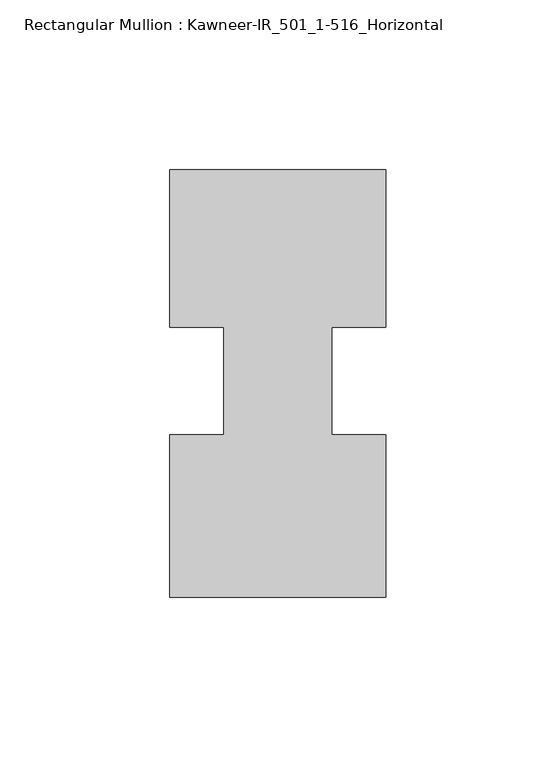
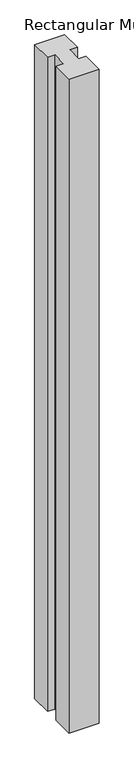
"""IFC4 building model written with IfcOpenShell, lengths in millimetres: member geometry, Rectangular Mullion : Kawneer-IR_501_1-516_Horizontal."""

import ifcopenshell
import ifcopenshell.guid

model = None  # the IFC model being written
_history = None  # IfcOwnerHistory: only IFC2X3 demands one
_inside = {}  # id of a spatial element -> (the spatial element, [elements in it])
_under = {}  # id of a project, library or spatial element -> (it, [spatial elements below it])
_declared = {}  # id of a project -> (the project, [libraries it declares])
_typed = {}  # id of a type object -> (the type object, [elements of that type])
_made_of = {}  # id of a material, layer set ... -> (it, [elements and type objects made of it])


def new_model(schema):
    """Start an empty IFC model of exactly this schema.

    Asked for "IFC4X3", IfcOpenShell would pick the latest addendum, in which some entities
    have other attributes; the version numbers below select the first issue.
    IFC2X3 requires an IfcOwnerHistory on every rooted entity: one is made here for all.
    """
    global model, _history
    if schema == "IFC4X3":
        model = ifcopenshell.file(schema_version=(4, 3, 0, 0))
    else:
        model = ifcopenshell.file(schema=schema)
    _inside.clear()
    _under.clear()
    _declared.clear()
    _typed.clear()
    _made_of.clear()
    _history = None
    if model.schema == "IFC2X3":
        org = make("IfcOrganization", Name="unknown")
        user = make(
            "IfcPersonAndOrganization",
            ThePerson=make("IfcPerson", FamilyName="unknown"),
            TheOrganization=org,
        )
        app = make(
            "IfcApplication",
            ApplicationDeveloper=org,
            Version="unknown",
            ApplicationFullName="unknown",
            ApplicationIdentifier="unknown",
        )
        _history = make(
            "IfcOwnerHistory",
            OwningUser=user,
            OwningApplication=app,
            ChangeAction="ADDED",
            CreationDate=0,
        )
    return model


def make(cls, **values):
    """One entity of the class cls with the attributes given. An attribute that is None is left unset."""
    return model.create_entity(
        cls, **{name: value for name, value in values.items() if value is not None}
    )


def rooted(cls, **values):
    """An entity with a GlobalId (a new one), such as an element, a storey or a relation."""
    return make(cls, GlobalId=ifcopenshell.guid.new(), OwnerHistory=_history, **values)


def si_unit(unit_type, name, prefix=None):
    """IfcSIUnit, for example si_unit("LENGTHUNIT", "METRE", prefix="MILLI")."""
    return make("IfcSIUnit", UnitType=unit_type, Prefix=prefix, Name=name)


def assignment(units):
    """IfcUnitAssignment: the units of a project."""
    return None if units is None else make("IfcUnitAssignment", Units=units)


def point(xyz):
    """IfcCartesianPoint."""
    return None if xyz is None else make("IfcCartesianPoint", Coordinates=xyz)


def direction(xyz):
    """IfcDirection."""
    return None if xyz is None else make("IfcDirection", DirectionRatios=xyz)


def frame(location, z_axis=None, x_axis=None):
    """IfcAxis2Placement3D, a coordinate frame: its origin and axes. An axis left out is left unset."""
    return make(
        "IfcAxis2Placement3D",
        Location=point(location),
        Axis=direction(z_axis),
        RefDirection=direction(x_axis),
    )


def origin():
    """The frame at (0, 0, 0) with its axes left unset."""
    return frame((0.0, 0.0, 0.0))


def place(relative_to, where):
    """IfcLocalPlacement: puts the frame where relative to a parent placement (None: the world)."""
    return make(
        "IfcLocalPlacement", PlacementRelTo=relative_to, RelativePlacement=where
    )


def context(
    kind, dimensions, precision=None, world=None, true_north=None, identifier=None
):
    """IfcGeometricRepresentationContext, for example the 3D "Model" context."""
    return make(
        "IfcGeometricRepresentationContext",
        ContextIdentifier=identifier,
        ContextType=kind,
        CoordinateSpaceDimension=dimensions,
        Precision=precision,
        WorldCoordinateSystem=world,
        TrueNorth=true_north,
    )


def project(units=None, contexts=None):
    """IfcProject with its units and contexts."""
    return rooted(
        "IfcProject",
        Name="project",
        RepresentationContexts=contexts,
        UnitsInContext=assignment(units),
    )


def spatial(cls, under=None, at=None, **own):
    """A site, building, storey or space (cls), placed at a placement, below another one or the project."""
    s = rooted(cls, ObjectPlacement=at, **own)
    if under is not None:
        _under.setdefault(under.id(), (under, []))[1].append(s)
    return s


def polyline(points):
    """IfcPolyline through the points."""
    return make("IfcPolyline", Points=[point(p) for p in points])


def outline(outer, holes=None, kind="AREA"):
    """IfcArbitraryClosedProfileDef: a profile drawn as a closed curve; with holes, ...WithVoids."""
    if holes is None:
        return make("IfcArbitraryClosedProfileDef", ProfileType=kind, OuterCurve=outer)
    return make(
        "IfcArbitraryProfileDefWithVoids",
        ProfileType=kind,
        OuterCurve=outer,
        InnerCurves=holes,
    )


def extrude(swept, where, along, depth):
    """IfcExtrudedAreaSolid: the profile swept, set in the frame where, extruded along a direction by depth."""
    return make(
        "IfcExtrudedAreaSolid",
        SweptArea=swept,
        Position=where,
        ExtrudedDirection=direction(along),
        Depth=depth,
    )


def shape(context_of_items, identifier, shape_type, items):
    """IfcShapeRepresentation: the items that make up one representation, for example the "Body"."""
    return make(
        "IfcShapeRepresentation",
        ContextOfItems=context_of_items,
        RepresentationIdentifier=identifier,
        RepresentationType=shape_type,
        Items=items,
    )


def source(mapping_origin, context_of_items, identifier, shape_type, items):
    """IfcRepresentationMap: a shape defined once, which mapped items show again and again."""
    return make(
        "IfcRepresentationMap",
        MappingOrigin=mapping_origin,
        MappedRepresentation=shape(context_of_items, identifier, shape_type, items),
    )


def transform(
    local_origin,
    x_axis=None,
    y_axis=None,
    z_axis=None,
    scale=None,
    scale2=None,
    scale3=None,
    uniform=True,
):
    """IfcCartesianTransformationOperator3D, or its non-uniform kind. x_axis, y_axis, z_axis: its Axis1, 2, 3."""
    if uniform:
        return make(
            "IfcCartesianTransformationOperator3D",
            Axis1=direction(x_axis),
            Axis2=direction(y_axis),
            LocalOrigin=point(local_origin),
            Scale=scale,
            Axis3=direction(z_axis),
        )
    return make(
        "IfcCartesianTransformationOperator3DnonUniform",
        Axis1=direction(x_axis),
        Axis2=direction(y_axis),
        LocalOrigin=point(local_origin),
        Scale=scale,
        Axis3=direction(z_axis),
        Scale2=scale2,
        Scale3=scale3,
    )


def mapped(mapping_source, mapping_target):
    """IfcMappedItem: shows the shape of a source again, moved by a transform."""
    return make(
        "IfcMappedItem", MappingSource=mapping_source, MappingTarget=mapping_target
    )


def made_of(thing, what):
    """Note that an element or type object is made of a material, layer set ...; save() writes the relation."""
    if what is not None:
        _made_of.setdefault(what.id(), (what, []))[1].append(thing)
    return thing


def element(
    cls,
    number,
    at=None,
    inside=None,
    cuts=None,
    type_object=None,
    material=None,
    context=None,
    identifier="Body",
    shape_type=None,
    held_by="IfcProductDefinitionShape",
    body=None,
    shapes=None,
    **own,
):
    """One element of the class cls, such as IfcWall. Its Tag is "e" and its number.

    at: its placement. inside: the storey or other place that contains it. cuts: it is an
    opening in that element (IfcRelVoidsElement). A single representation is given by context,
    identifier, shape_type and body (its items); several are given by shapes. held_by: the class
    of the entity that holds the representations. save() writes the other relations.
    """
    e = rooted(cls, Tag="e%d" % number, ObjectPlacement=at, **own)
    if body is not None:
        shapes = [shape(context, identifier, shape_type, body)]
    if shapes is not None:
        e.Representation = make(held_by, Representations=shapes)
    if inside is not None:
        _inside.setdefault(inside.id(), (inside, []))[1].append(e)
    if cuts is not None:
        rooted(
            "IfcRelVoidsElement", RelatingBuildingElement=cuts, RelatedOpeningElement=e
        )
    if type_object is not None:
        _typed.setdefault(type_object.id(), (type_object, []))[1].append(e)
    return made_of(e, material)


def aggregate(whole, parts):
    """IfcRelAggregates: a whole, such as a stair, and the parts it consists of."""
    return rooted("IfcRelAggregates", RelatingObject=whole, RelatedObjects=parts)


def save(model, path):
    """Write the relations noted so far, then the file.

    IfcRelAggregates (storeys below a building ...), IfcRelContainedInSpatialStructure (elements
    in a storey), IfcRelDefinesByType, IfcRelAssociatesMaterial and IfcRelDeclares: one each for
    every whole, place, type object, material and project.
    """
    for whole, parts in _under.values():
        aggregate(whole, parts)
    for where, things in _inside.values():
        rooted(
            "IfcRelContainedInSpatialStructure",
            RelatedElements=things,
            RelatingStructure=where,
        )
    for kind, things in _typed.values():
        rooted("IfcRelDefinesByType", RelatedObjects=things, RelatingType=kind)
    for what, things in _made_of.values():
        rooted("IfcRelAssociatesMaterial", RelatedObjects=things, RelatingMaterial=what)
    for by, libraries in _declared.values():
        rooted("IfcRelDeclares", RelatingContext=by, RelatedDefinitions=libraries)
    model.write(path)


def rectangular_mullion_kawneer_ir_501_1_516_horizontal_bd6771c7(model_context):
    return source(origin(), model_context, "Body", "SweptSolid", [
        extrude(outline(polyline([(42.4344027, -38.4683), (-21.0655973, -38.4683), (-21.0655973, 9.296885), (-5.1905973, 9.296885), (-5.1905973, 41.046885), (-21.0655973, 41.046885), (-21.0655973, 87.3125), (42.4344027, 87.3125), (42.4344027, 41.046885), (26.5467027, 41.046885), (26.5467027, 9.296885), (42.4344027, 9.296885), (42.4344027, -38.4683)])), frame((0.0, 0.0, -1460.5), z_axis=(0.0, 0.0, 1.0), x_axis=(1.0, 0.0, 0.0)), (0.0, 0.0, 1.0), 1460.5),
    ])


if __name__ == "__main__":
    model = new_model("IFC4")
    model_context = context("Model", 3, world=origin())
    ifc_project = project(units=[si_unit("LENGTHUNIT", "METRE", prefix="MILLI")], contexts=[model_context])
    site = spatial("IfcSite", under=ifc_project)
    building = spatial("IfcBuilding", under=site)
    placement = place(None, origin())
    rectangular_mullion_kawneer_ir_501_1_516_horizontal_shape = rectangular_mullion_kawneer_ir_501_1_516_horizontal_bd6771c7(model_context)
    element("IfcMember", 1, ObjectType="Rectangular Mullion : Kawneer-IR_501_1-516_Horizontal", at=placement, inside=building, context=model_context, shape_type="MappedRepresentation", body=[
        mapped(rectangular_mullion_kawneer_ir_501_1_516_horizontal_shape, transform((0.0, 0.0, 0.0), x_axis=(1.0, 0.0, 0.0), y_axis=(0.0, 1.0, 0.0), z_axis=(0.0, 0.0, 1.0))),
    ])
    save(model, "model.ifc")
